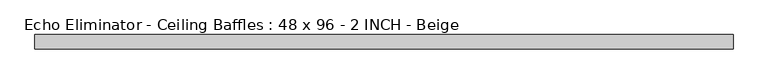
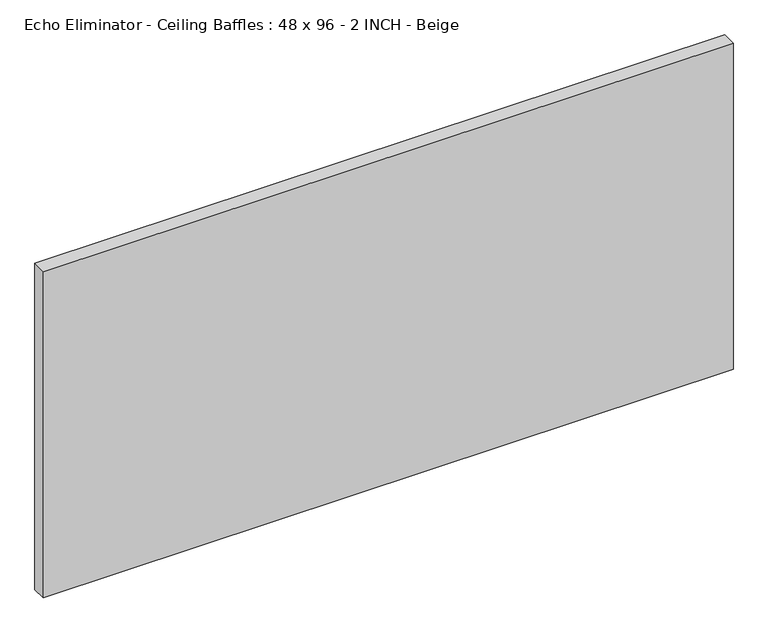
"""IFC4 building model written with IfcOpenShell, lengths in millimetres: proxy geometry, Echo Eliminator - Ceiling Baffles : 48 x 96 - 2 INCH - Beige."""

from ifc_helpers import new_model, si_unit, origin, origin_with_axes, place, context, project, spatial, polyline, outline, extrude, source, transform, mapped, element, save


def echo_eliminator_ceiling_baffles_48_x_96_2_inch_beige_1d8b9ca3(model_context):
    return source(origin(), model_context, "Body", "SweptSolid", [
        extrude(outline(polyline([(1219.2, -50.8), (-1219.2, -50.8), (-1219.2, 0.0), (1219.2, 0.0), (1219.2, -50.8)])), origin_with_axes(), (0.0, 0.0, 1.0), 1219.2),
    ])


if __name__ == "__main__":
    model = new_model("IFC4")
    model_context = context("Model", 3, world=origin())
    ifc_project = project(units=[si_unit("LENGTHUNIT", "METRE", prefix="MILLI")], contexts=[model_context])
    site = spatial("IfcSite", under=ifc_project)
    building = spatial("IfcBuilding", under=site)
    placement = place(None, origin())
    echo_eliminator_ceiling_baffles_48_x_96_2_inch_beige_shape = echo_eliminator_ceiling_baffles_48_x_96_2_inch_beige_1d8b9ca3(model_context)
    element("IfcBuildingElementProxy", 1, Name="Echo Eliminator - Ceiling Baffles : 48 x 96 - 2 INCH - Beige", ObjectType="Echo Eliminator - Ceiling Baffles : 48 x 96 - 2 INCH - Beige", at=placement, inside=building, context=model_context, shape_type="MappedRepresentation", body=[
        mapped(echo_eliminator_ceiling_baffles_48_x_96_2_inch_beige_shape, transform((0.0, 0.0, 0.0), x_axis=(1.0, 0.0, 0.0), y_axis=(0.0, 1.0, 0.0), z_axis=(0.0, 0.0, 1.0))),
    ])
    save(model, "model.ifc")
